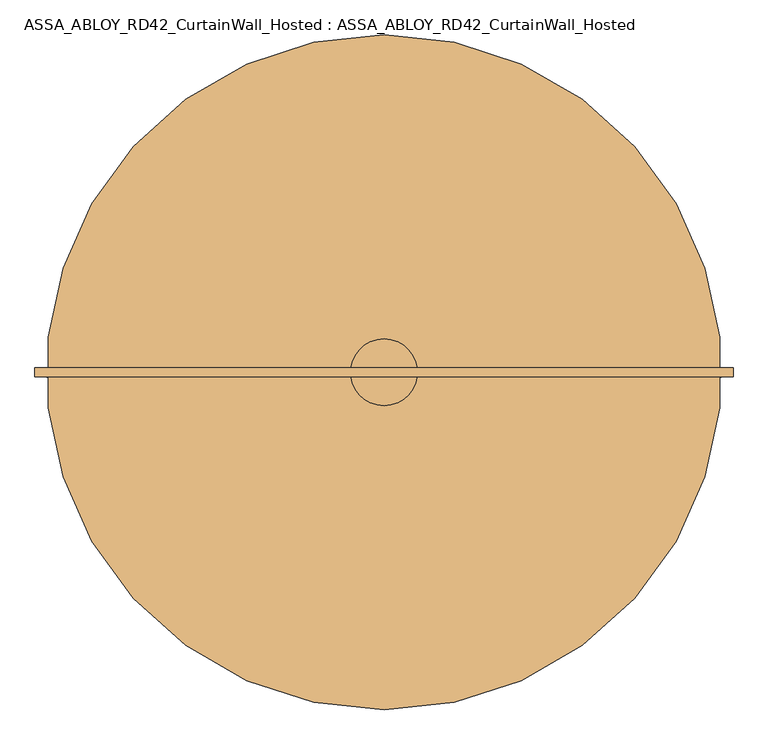
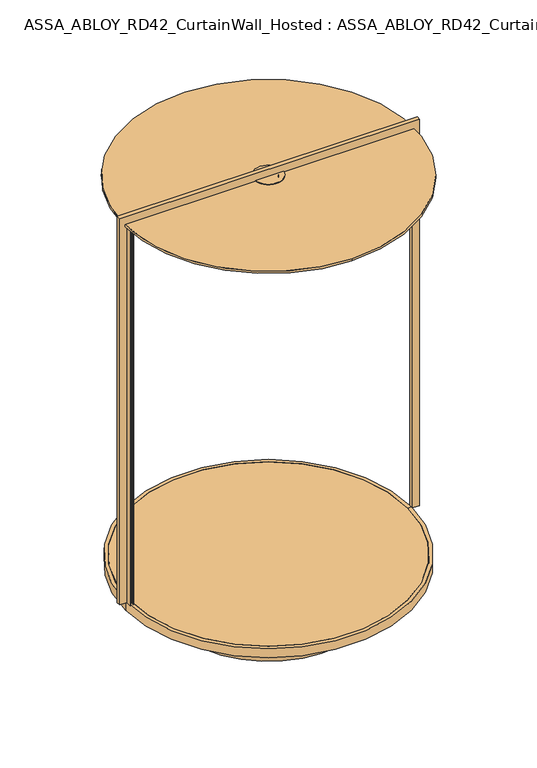
"""IFC4 building model written with IfcOpenShell, lengths in millimetres: door geometry, ASSA_ABLOY_RD42_CurtainWall_Hosted : ASSA_ABLOY_RD42_CurtainWall_Hosted."""

import ifcopenshell
import ifcopenshell.guid

model = None  # the IFC model being written
_history = None  # IfcOwnerHistory: only IFC2X3 demands one
_inside = {}  # id of a spatial element -> (the spatial element, [elements in it])
_under = {}  # id of a project, library or spatial element -> (it, [spatial elements below it])
_declared = {}  # id of a project -> (the project, [libraries it declares])
_typed = {}  # id of a type object -> (the type object, [elements of that type])
_made_of = {}  # id of a material, layer set ... -> (it, [elements and type objects made of it])


def new_model(schema):
    """Start an empty IFC model of exactly this schema.

    Asked for "IFC4X3", IfcOpenShell would pick the latest addendum, in which some entities
    have other attributes; the version numbers below select the first issue.
    IFC2X3 requires an IfcOwnerHistory on every rooted entity: one is made here for all.
    """
    global model, _history
    if schema == "IFC4X3":
        model = ifcopenshell.file(schema_version=(4, 3, 0, 0))
    else:
        model = ifcopenshell.file(schema=schema)
    _inside.clear()
    _under.clear()
    _declared.clear()
    _typed.clear()
    _made_of.clear()
    _history = None
    if model.schema == "IFC2X3":
        org = make("IfcOrganization", Name="unknown")
        user = make(
            "IfcPersonAndOrganization",
            ThePerson=make("IfcPerson", FamilyName="unknown"),
            TheOrganization=org,
        )
        app = make(
            "IfcApplication",
            ApplicationDeveloper=org,
            Version="unknown",
            ApplicationFullName="unknown",
            ApplicationIdentifier="unknown",
        )
        _history = make(
            "IfcOwnerHistory",
            OwningUser=user,
            OwningApplication=app,
            ChangeAction="ADDED",
            CreationDate=0,
        )
    return model


def make(cls, **values):
    """One entity of the class cls with the attributes given. An attribute that is None is left unset."""
    return model.create_entity(
        cls, **{name: value for name, value in values.items() if value is not None}
    )


def rooted(cls, **values):
    """An entity with a GlobalId (a new one), such as an element, a storey or a relation."""
    return make(cls, GlobalId=ifcopenshell.guid.new(), OwnerHistory=_history, **values)


def si_unit(unit_type, name, prefix=None):
    """IfcSIUnit, for example si_unit("LENGTHUNIT", "METRE", prefix="MILLI")."""
    return make("IfcSIUnit", UnitType=unit_type, Prefix=prefix, Name=name)


def assignment(units):
    """IfcUnitAssignment: the units of a project."""
    return None if units is None else make("IfcUnitAssignment", Units=units)


def point(xyz):
    """IfcCartesianPoint."""
    return None if xyz is None else make("IfcCartesianPoint", Coordinates=xyz)


def direction(xyz):
    """IfcDirection."""
    return None if xyz is None else make("IfcDirection", DirectionRatios=xyz)


def frame(location, z_axis=None, x_axis=None):
    """IfcAxis2Placement3D, a coordinate frame: its origin and axes. An axis left out is left unset."""
    return make(
        "IfcAxis2Placement3D",
        Location=point(location),
        Axis=direction(z_axis),
        RefDirection=direction(x_axis),
    )


def frame_2d(location, x_axis=None):
    """IfcAxis2Placement2D, a coordinate frame in the plane: its origin and x axis."""
    return make(
        "IfcAxis2Placement2D", Location=point(location), RefDirection=direction(x_axis)
    )


def origin():
    """The frame at (0, 0, 0) with its axes left unset."""
    return frame((0.0, 0.0, 0.0))


def origin_with_axes():
    """The frame at (0, 0, 0) with the z axis (0, 0, 1) and the x axis (1, 0, 0) written out."""
    return frame((0.0, 0.0, 0.0), z_axis=(0.0, 0.0, 1.0), x_axis=(1.0, 0.0, 0.0))


def origin_2d():
    """The frame at (0, 0) in the plane with its x axis left unset."""
    return frame_2d((0.0, 0.0))


def place(relative_to, where):
    """IfcLocalPlacement: puts the frame where relative to a parent placement (None: the world)."""
    return make(
        "IfcLocalPlacement", PlacementRelTo=relative_to, RelativePlacement=where
    )


def context(
    kind, dimensions, precision=None, world=None, true_north=None, identifier=None
):
    """IfcGeometricRepresentationContext, for example the 3D "Model" context."""
    return make(
        "IfcGeometricRepresentationContext",
        ContextIdentifier=identifier,
        ContextType=kind,
        CoordinateSpaceDimension=dimensions,
        Precision=precision,
        WorldCoordinateSystem=world,
        TrueNorth=true_north,
    )


def project(units=None, contexts=None):
    """IfcProject with its units and contexts."""
    return rooted(
        "IfcProject",
        Name="project",
        RepresentationContexts=contexts,
        UnitsInContext=assignment(units),
    )


def spatial(cls, under=None, at=None, **own):
    """A site, building, storey or space (cls), placed at a placement, below another one or the project."""
    s = rooted(cls, ObjectPlacement=at, **own)
    if under is not None:
        _under.setdefault(under.id(), (under, []))[1].append(s)
    return s


def polyline(points):
    """IfcPolyline through the points."""
    return make("IfcPolyline", Points=[point(p) for p in points])


def circle_curve(where, radius):
    """IfcCircle in the frame where."""
    return make("IfcCircle", Position=where, Radius=radius)


def trimmed(basis, trim1, trim2, sense, master):
    """IfcTrimmedCurve: the piece of a basis curve between two trims."""
    return make(
        "IfcTrimmedCurve",
        BasisCurve=basis,
        Trim1=trim1,
        Trim2=trim2,
        SenseAgreement=sense,
        MasterRepresentation=master,
    )


def segment(curve, same_sense, transition):
    """IfcCompositeCurveSegment."""
    return make(
        "IfcCompositeCurveSegment",
        Transition=transition,
        SameSense=same_sense,
        ParentCurve=curve,
    )


def composite_curve(segments, self_intersect=None):
    """IfcCompositeCurve: segments joined end to end."""
    return make("IfcCompositeCurve", Segments=segments, SelfIntersect=self_intersect)


def outline(outer, holes=None, kind="AREA"):
    """IfcArbitraryClosedProfileDef: a profile drawn as a closed curve; with holes, ...WithVoids."""
    if holes is None:
        return make("IfcArbitraryClosedProfileDef", ProfileType=kind, OuterCurve=outer)
    return make(
        "IfcArbitraryProfileDefWithVoids",
        ProfileType=kind,
        OuterCurve=outer,
        InnerCurves=holes,
    )


def extrude(swept, where, along, depth):
    """IfcExtrudedAreaSolid: the profile swept, set in the frame where, extruded along a direction by depth."""
    return make(
        "IfcExtrudedAreaSolid",
        SweptArea=swept,
        Position=where,
        ExtrudedDirection=direction(along),
        Depth=depth,
    )


def shape(context_of_items, identifier, shape_type, items):
    """IfcShapeRepresentation: the items that make up one representation, for example the "Body"."""
    return make(
        "IfcShapeRepresentation",
        ContextOfItems=context_of_items,
        RepresentationIdentifier=identifier,
        RepresentationType=shape_type,
        Items=items,
    )


def source(mapping_origin, context_of_items, identifier, shape_type, items):
    """IfcRepresentationMap: a shape defined once, which mapped items show again and again."""
    return make(
        "IfcRepresentationMap",
        MappingOrigin=mapping_origin,
        MappedRepresentation=shape(context_of_items, identifier, shape_type, items),
    )


def transform(
    local_origin,
    x_axis=None,
    y_axis=None,
    z_axis=None,
    scale=None,
    scale2=None,
    scale3=None,
    uniform=True,
):
    """IfcCartesianTransformationOperator3D, or its non-uniform kind. x_axis, y_axis, z_axis: its Axis1, 2, 3."""
    if uniform:
        return make(
            "IfcCartesianTransformationOperator3D",
            Axis1=direction(x_axis),
            Axis2=direction(y_axis),
            LocalOrigin=point(local_origin),
            Scale=scale,
            Axis3=direction(z_axis),
        )
    return make(
        "IfcCartesianTransformationOperator3DnonUniform",
        Axis1=direction(x_axis),
        Axis2=direction(y_axis),
        LocalOrigin=point(local_origin),
        Scale=scale,
        Axis3=direction(z_axis),
        Scale2=scale2,
        Scale3=scale3,
    )


def mapped(mapping_source, mapping_target):
    """IfcMappedItem: shows the shape of a source again, moved by a transform."""
    return make(
        "IfcMappedItem", MappingSource=mapping_source, MappingTarget=mapping_target
    )


def made_of(thing, what):
    """Note that an element or type object is made of a material, layer set ...; save() writes the relation."""
    if what is not None:
        _made_of.setdefault(what.id(), (what, []))[1].append(thing)
    return thing


def element(
    cls,
    number,
    at=None,
    inside=None,
    cuts=None,
    type_object=None,
    material=None,
    context=None,
    identifier="Body",
    shape_type=None,
    held_by="IfcProductDefinitionShape",
    body=None,
    shapes=None,
    **own,
):
    """One element of the class cls, such as IfcWall. Its Tag is "e" and its number.

    at: its placement. inside: the storey or other place that contains it. cuts: it is an
    opening in that element (IfcRelVoidsElement). A single representation is given by context,
    identifier, shape_type and body (its items); several are given by shapes. held_by: the class
    of the entity that holds the representations. save() writes the other relations.
    """
    e = rooted(cls, Tag="e%d" % number, ObjectPlacement=at, **own)
    if body is not None:
        shapes = [shape(context, identifier, shape_type, body)]
    if shapes is not None:
        e.Representation = make(held_by, Representations=shapes)
    if inside is not None:
        _inside.setdefault(inside.id(), (inside, []))[1].append(e)
    if cuts is not None:
        rooted(
            "IfcRelVoidsElement", RelatingBuildingElement=cuts, RelatedOpeningElement=e
        )
    if type_object is not None:
        _typed.setdefault(type_object.id(), (type_object, []))[1].append(e)
    return made_of(e, material)


def aggregate(whole, parts):
    """IfcRelAggregates: a whole, such as a stair, and the parts it consists of."""
    return rooted("IfcRelAggregates", RelatingObject=whole, RelatedObjects=parts)


def save(model, path):
    """Write the relations noted so far, then the file.

    IfcRelAggregates (storeys below a building ...), IfcRelContainedInSpatialStructure (elements
    in a storey), IfcRelDefinesByType, IfcRelAssociatesMaterial and IfcRelDeclares: one each for
    every whole, place, type object, material and project.
    """
    for whole, parts in _under.values():
        aggregate(whole, parts)
    for where, things in _inside.values():
        rooted(
            "IfcRelContainedInSpatialStructure",
            RelatedElements=things,
            RelatingStructure=where,
        )
    for kind, things in _typed.values():
        rooted("IfcRelDefinesByType", RelatedObjects=things, RelatingType=kind)
    for what, things in _made_of.values():
        rooted("IfcRelAssociatesMaterial", RelatedObjects=things, RelatingMaterial=what)
    for by, libraries in _declared.values():
        rooted("IfcRelDeclares", RelatingContext=by, RelatedDefinitions=libraries)
    model.write(path)


def plane_surface(at):
    """IfcPlane: the flat surface through the origin of the frame at, square to its z axis."""
    return make("IfcPlane", Position=at)


def cylinder_surface(at, radius):
    """IfcCylindricalSurface: all points at the distance radius from the z axis of the frame at."""
    return make("IfcCylindricalSurface", Position=at, Radius=radius)


def revolved_surface(curve, axis_point, axis_direction):
    """IfcSurfaceOfRevolution: the curve turned about the line through axis_point along axis_direction."""
    return make(
        "IfcSurfaceOfRevolution",
        SweptCurve=make("IfcArbitraryOpenProfileDef", ProfileType="CURVE", Curve=curve),
        AxisPosition=make("IfcAxis1Placement", Location=point(axis_point), Axis=direction(axis_direction)),
    )


def advanced_brep(points, edges, surfaces, faces):
    """IfcAdvancedBrep: a solid bounded by faces that lie on surfaces and meet in shared edges.

    An edge is (start, end): straight between two places in points (the first is 0);
    or (start, end, curve); or (start, end, curve, False) where it runs against its curve.
    A face is (place in surfaces, loops), or (place, loops, False) where it looks against
    its surface's normal. A loop lists edges by number (the first is 1), with a minus sign
    where the edge is run from its end to its start. The first loop is the outer one.
    """
    corners = [point(p) for p in points]
    vertices = [make("IfcVertexPoint", VertexGeometry=c) for c in corners]
    made = []
    for start, end, *more in edges:
        made.append(
            make(
                "IfcEdgeCurve",
                EdgeStart=vertices[start],
                EdgeEnd=vertices[end],
                EdgeGeometry=more[0] if more else make("IfcPolyline", Points=[corners[start], corners[end]]),
                SameSense=more[1] if len(more) > 1 else True,
            )
        )
    hull = []
    for where, loops, *sense in faces:
        bounds = []
        for j, loop in enumerate(loops):
            ring = [make("IfcOrientedEdge", EdgeElement=made[abs(k) - 1], Orientation=k > 0) for k in loop]
            bounds.append(
                make(
                    "IfcFaceOuterBound" if j == 0 else "IfcFaceBound",
                    Bound=make("IfcEdgeLoop", EdgeList=ring),
                    Orientation=True,
                )
            )
        hull.append(make("IfcAdvancedFace", Bounds=bounds, FaceSurface=surfaces[where], SameSense=sense[0] if sense else True))
    return make("IfcAdvancedBrep", Outer=make("IfcClosedShell", CfsFaces=hull))


def assa_abloy_rd42_curtainwall_hosted_assa_abloy_rd42_91338318(model_context):
    return source(origin(), model_context, "Body", "SolidModel", [
        extrude(outline(polyline([(-997.0, 0.0), (-971.0, 0.0), (-971.0, -53.0), (-974.0, -53.0), (-974.0, -33.0), (-994.0, -33.0), (-994.0, -53.0), (-997.0, -53.0), (-997.0, 0.0)])), origin_with_axes(), (0.0, 0.0, 1.0), 2773.0),
        extrude(outline(composite_curve([segment(trimmed(circle_curve(origin_2d(), 971.0), [point((-971.0, 0.0))], [point((971.0, 0.0))], False, "CARTESIAN"), True, "CONTINUOUS"), segment(trimmed(circle_curve(origin_2d(), 971.0), [point((971.0, 0.0))], [point((-971.0, 0.0))], False, "CARTESIAN"), True, "CONTINUOUS")], self_intersect=False)), frame((0.0, 0.0, -22.0), z_axis=(0.0, 0.0, 1.0), x_axis=(1.0, 0.0, 0.0)), (0.0, 0.0, 1.0), 22.0),
        extrude(outline(polyline([(2794.0, 1012.0), (2778.0, 1012.0), (2778.0, 997.0), (0.0, 997.0), (0.0, 1047.0), (2850.0, 1047.0), (2850.0, -1047.0), (0.0, -1047.0), (0.0, -997.0), (2778.0, -997.0), (2778.0, -1012.0), (2794.0, -1012.0), (2794.0, 1012.0)])), frame((0.0, -14.0, 0.0), z_axis=(0.0, 1.0, 0.0), x_axis=(0.0, 0.0, 1.0)), (0.0, 0.0, 1.0), 28.0),
        advanced_brep(
        [(997.0, 0.0, -65.0), (-997.0, 0.0, -65.0), (-997.0, 0.0, 0.0), (997.0, 0.0, 0.0), (0.0, 0.0, -65.0), (971.0, 0.0, -23.0), (-971.0, 0.0, -23.0), (0.0, 0.0, -23.0), (971.0, 0.0, 0.0), (-971.0, 0.0, 0.0)],
        [
            (0, 1, circle_curve(frame((0.0, 0.0, -65.0), z_axis=(0.0, 0.0, 1.0), x_axis=(-1.0, 0.0, 0.0)), 997.0)),
            (1, 2),
            (2, 3, circle_curve(frame((0.0, 0.0, 0.0), z_axis=(0.0, 0.0, -1.0), x_axis=(-1.0, 0.0, 0.0)), 997.0)),
            (3, 0),
            (1, 0, circle_curve(frame((0.0, 0.0, -65.0), z_axis=(0.0, 0.0, 1.0), x_axis=(-1.0, 0.0, 0.0)), 997.0)),
            (3, 2, circle_curve(frame((0.0, 0.0, 0.0), z_axis=(0.0, 0.0, -1.0), x_axis=(-1.0, 0.0, 0.0)), 997.0)),
            (0, 4),
            (4, 1),
            (5, 6, circle_curve(frame((0.0, 0.0, -23.0), z_axis=(0.0, 0.0, 1.0), x_axis=(-1.0, 0.0, 0.0)), 971.0)),
            (6, 7),
            (7, 5),
            (6, 5, circle_curve(frame((0.0, 0.0, -23.0), z_axis=(0.0, 0.0, 1.0), x_axis=(-1.0, 0.0, 0.0)), 971.0)),
            (5, 8),
            (8, 9, circle_curve(frame((0.0, 0.0, 0.0), z_axis=(0.0, 0.0, 1.0), x_axis=(-1.0, 0.0, 0.0)), 971.0)),
            (9, 6),
            (9, 8, circle_curve(frame((0.0, 0.0, 0.0), z_axis=(0.0, 0.0, 1.0), x_axis=(-1.0, 0.0, 0.0)), 971.0)),
            (2, 9),
            (8, 3),
        ],
        [
            cylinder_surface(frame((0.0, 0.0, -20.0), z_axis=(0.0, 0.0, -1.0), x_axis=(-1.0, 0.0, 0.0)), 997.0),
            plane_surface(frame((0.0, 0.0, -65.0), z_axis=(0.0, 0.0, -1.0), x_axis=(-1.0, 0.0, 0.0))),
            plane_surface(frame((0.0, 0.0, -23.0), z_axis=(0.0, 0.0, 1.0), x_axis=(-1.0, 0.0, 0.0))),
            revolved_surface(polyline([(-971.0, 0.0, -23.0), (-971.0, 0.0, 0.0)]), (0.0, 0.0, -20.0), (0.0, 0.0, -1.0)),
            plane_surface(frame((0.0, 0.0, 0.0), z_axis=(0.0, 0.0, 1.0), x_axis=(-1.0, 0.0, 0.0))),
        ],
        [
            (0, [[1, 2, 3, 4]]),
            (0, [[-2, 5, -4, 6]]),
            (1, [[-1, 7, 8]]),
            (1, [[-5, -8, -7]]),
            (2, [[9, 10, 11]]),
            (2, [[-10, 12, -11]]),
            (3, [[-9, 13, 14, 15]]),
            (3, [[-12, -15, 16, -13]]),
            (4, [[-3, 17, -14, 18]]),
            (4, [[-6, -18, -16, -17]]),
        ],
    ),
        advanced_brep(
        [(0.0, 1012.0, 2794.0), (0.0, -1012.0, 2794.0), (-60.0, 0.0, 2794.0), (60.0, 0.0, 2794.0), (0.0, 1012.0, 2778.0), (0.0, -1012.0, 2778.0), (60.0, 0.0, 2778.0), (-60.0, 0.0, 2778.0)],
        [
            (0, 1, circle_curve(frame((0.0, 0.0, 2794.0), z_axis=(0.0, 0.0, 1.0), x_axis=(0.0, -1.0, 0.0)), 1012.0)),
            (1, 0, circle_curve(frame((0.0, 0.0, 2794.0), z_axis=(0.0, 0.0, 1.0), x_axis=(0.0, -1.0, 0.0)), 1012.0)),
            (2, 3, circle_curve(frame((0.0, 0.0, 2794.0), z_axis=(0.0, 0.0, -1.0), x_axis=(-1.0, 0.0, 0.0)), 60.0)),
            (3, 2, circle_curve(frame((0.0, 0.0, 2794.0), z_axis=(0.0, 0.0, -1.0), x_axis=(-1.0, 0.0, 0.0)), 60.0)),
            (4, 5, circle_curve(frame((0.0, 0.0, 2778.0), z_axis=(0.0, 0.0, -1.0), x_axis=(0.0, -1.0, 0.0)), 1012.0)),
            (5, 4, circle_curve(frame((0.0, 0.0, 2778.0), z_axis=(0.0, 0.0, -1.0), x_axis=(0.0, -1.0, 0.0)), 1012.0)),
            (6, 7, circle_curve(frame((0.0, 0.0, 2778.0), z_axis=(0.0, 0.0, 1.0), x_axis=(-1.0, 0.0, 0.0)), 60.0)),
            (7, 6, circle_curve(frame((0.0, 0.0, 2778.0), z_axis=(0.0, 0.0, 1.0), x_axis=(-1.0, 0.0, 0.0)), 60.0)),
            (0, 4),
            (5, 1),
            (6, 3),
            (2, 7),
        ],
        [
            plane_surface(frame((0.0, -1012.0, 2794.0), z_axis=(0.0, 0.0, 1.0), x_axis=(1.0, 0.0, 0.0))),
            plane_surface(frame((0.0, -1012.0, 2778.0), z_axis=(0.0, 0.0, -1.0), x_axis=(-1.0, 0.0, 0.0))),
            cylinder_surface(frame((0.0, 0.0, 2794.0), z_axis=(0.0, 0.0, -1.0), x_axis=(0.0, -1.0, 0.0)), 1012.0),
            revolved_surface(polyline([(-60.0, 0.0, 2794.0), (-60.0, 0.0, 2778.0)]), (0.0, 0.0, 2723.0), (0.0, 0.0, 1.0)),
        ],
        [
            (0, [[1, 2], [3, 4]]),
            (1, [[5, 6], [7, 8]]),
            (2, [[-1, 9, -6, 10]]),
            (2, [[-2, -10, -5, -9]]),
            (3, [[11, -3, 12, -7]]),
            (3, [[-11, -8, -12, -4]]),
        ],
    ),
        extrude(outline(composite_curve([segment(trimmed(circle_curve(origin_2d(), 645.0), [point((-645.0, 0.0))], [point((645.0, 0.0))], False, "CARTESIAN"), True, "CONTINUOUS"), segment(trimmed(circle_curve(origin_2d(), 645.0), [point((645.0, 0.0))], [point((-645.0, 0.0))], False, "CARTESIAN"), True, "CONTINUOUS")], self_intersect=False)), frame((0.0, 0.0, -340.0), z_axis=(0.0, 0.0, 1.0), x_axis=(1.0, 0.0, 0.0)), (0.0, 0.0, 1.0), 275.0),
        advanced_brep(
        [(0.0, -90.0, 2778.0), (0.0, 90.0, 2778.0), (0.0, 90.0, 2772.0), (0.0, -90.0, 2772.0), (0.0, -60.0, 2794.0), (0.0, 60.0, 2794.0), (0.0, 60.0, 2778.0), (0.0, -60.0, 2778.0), (0.0, -100.0, 2800.0), (0.0, 100.0, 2800.0), (0.0, 100.0, 2794.0), (0.0, -100.0, 2794.0), (0.0, 30.0, 2772.0), (0.0, -30.0, 2772.0), (0.0, 30.0, 2778.0), (0.0, -30.0, 2778.0)],
        [
            (0, 1, circle_curve(frame((0.0, 0.0, 2778.0), z_axis=(0.0, 0.0, -1.0), x_axis=(0.0, 1.0, 0.0)), 90.0)),
            (1, 2),
            (2, 3, circle_curve(frame((0.0, 0.0, 2772.0), z_axis=(0.0, 0.0, 1.0), x_axis=(0.0, 1.0, 0.0)), 90.0)),
            (3, 0),
            (4, 5, circle_curve(frame((0.0, 0.0, 2794.0), z_axis=(0.0, 0.0, -1.0), x_axis=(0.0, 1.0, 0.0)), 60.0)),
            (5, 6),
            (6, 7, circle_curve(frame((0.0, 0.0, 2778.0), z_axis=(0.0, 0.0, 1.0), x_axis=(0.0, 1.0, 0.0)), 60.0)),
            (7, 4),
            (8, 9, circle_curve(frame((0.0, 0.0, 2800.0), z_axis=(0.0, 0.0, -1.0), x_axis=(0.0, 1.0, 0.0)), 100.0)),
            (9, 10),
            (10, 11, circle_curve(frame((0.0, 0.0, 2794.0), z_axis=(0.0, 0.0, 1.0), x_axis=(0.0, 1.0, 0.0)), 100.0)),
            (11, 8),
            (1, 0, circle_curve(frame((0.0, 0.0, 2778.0), z_axis=(0.0, 0.0, -1.0), x_axis=(0.0, -1.0, 0.0)), 90.0)),
            (3, 2, circle_curve(frame((0.0, 0.0, 2772.0), z_axis=(0.0, 0.0, 1.0), x_axis=(0.0, -1.0, 0.0)), 90.0)),
            (6, 7, circle_curve(frame((0.0, 0.0, 2778.0), z_axis=(0.0, 0.0, -1.0), x_axis=(0.0, -1.0, 0.0)), 60.0)),
            (5, 4, circle_curve(frame((0.0, 0.0, 2794.0), z_axis=(0.0, 0.0, -1.0), x_axis=(0.0, -1.0, 0.0)), 60.0)),
            (10, 11, circle_curve(frame((0.0, 0.0, 2794.0), z_axis=(0.0, 0.0, -1.0), x_axis=(0.0, -1.0, 0.0)), 100.0)),
            (9, 8, circle_curve(frame((0.0, 0.0, 2800.0), z_axis=(0.0, 0.0, -1.0), x_axis=(0.0, -1.0, 0.0)), 100.0)),
            (12, 13, circle_curve(frame((0.0, 0.0, 2772.0), z_axis=(0.0, 0.0, 1.0), x_axis=(0.0, 1.0, 0.0)), 30.0)),
            (13, 12, circle_curve(frame((0.0, 0.0, 2772.0), z_axis=(0.0, 0.0, 1.0), x_axis=(0.0, -1.0, 0.0)), 30.0)),
            (12, 14),
            (14, 15, circle_curve(frame((0.0, 0.0, 2778.0), z_axis=(0.0, 0.0, 1.0), x_axis=(0.0, 1.0, 0.0)), 30.0)),
            (15, 13),
            (15, 14, circle_curve(frame((0.0, 0.0, 2778.0), z_axis=(0.0, 0.0, 1.0), x_axis=(0.0, -1.0, 0.0)), 30.0)),
        ],
        [
            cylinder_surface(frame((0.0, 0.0, 2778.0), z_axis=(0.0, 0.0, 1.0), x_axis=(0.0, 1.0, 0.0)), 90.0),
            cylinder_surface(frame((0.0, 0.0, 2778.0), z_axis=(0.0, 0.0, 1.0), x_axis=(0.0, 1.0, 0.0)), 60.0),
            cylinder_surface(frame((0.0, 0.0, 2778.0), z_axis=(0.0, 0.0, 1.0), x_axis=(0.0, 1.0, 0.0)), 100.0),
            cylinder_surface(frame((0.0, 0.0, 2778.0), z_axis=(0.0, 0.0, 1.0), x_axis=(0.0, -1.0, 0.0)), 90.0),
            plane_surface(frame((0.0, 0.0, 2778.0), z_axis=(0.0, 0.0, 1.0), x_axis=(0.0, -1.0, 0.0))),
            cylinder_surface(frame((0.0, 0.0, 2778.0), z_axis=(0.0, 0.0, 1.0), x_axis=(0.0, -1.0, 0.0)), 60.0),
            plane_surface(frame((0.0, 0.0, 2794.0), z_axis=(0.0, 0.0, -1.0), x_axis=(0.0, -1.0, 0.0))),
            cylinder_surface(frame((0.0, 0.0, 2778.0), z_axis=(0.0, 0.0, 1.0), x_axis=(0.0, -1.0, 0.0)), 100.0),
            plane_surface(frame((0.0, 0.0, 2800.0), z_axis=(0.0, 0.0, 1.0), x_axis=(0.0, -1.0, 0.0))),
            plane_surface(frame((0.0, 0.0, 2772.0), z_axis=(0.0, 0.0, -1.0), x_axis=(0.0, -1.0, 0.0))),
            revolved_surface(polyline([(0.0, 30.0, 2778.0), (0.0, 30.0, 2772.0)]), (0.0, 0.0, 2778.0), (0.0, 0.0, 1.0)),
            revolved_surface(polyline([(0.0, -30.0, 2778.0), (0.0, -30.0, 2772.0)]), (0.0, 0.0, 2778.0), (0.0, 0.0, 1.0)),
            plane_surface(frame((0.0, -30.0, 2778.0), z_axis=(0.0, 0.0, -1.0), x_axis=(-1.0, 0.0, 0.0))),
        ],
        [
            (0, [[1, 2, 3, 4]]),
            (1, [[5, 6, 7, 8]]),
            (2, [[9, 10, 11, 12]]),
            (3, [[-2, 13, -4, 14]]),
            (4, [[-1, -13], [-7, 15]]),
            (5, [[-6, 16, -8, -15]]),
            (6, [[-11, 17], [-5, -16]]),
            (7, [[-10, 18, -12, -17]]),
            (8, [[-9, -18]]),
            (9, [[-3, -14], [19, 20]]),
            (10, [[-19, 21, 22, 23]]),
            (11, [[-20, -23, 24, -21]]),
            (12, [[-22, -24]]),
        ],
    ),
    ])


if __name__ == "__main__":
    model = new_model("IFC4")
    model_context = context("Model", 3, world=origin())
    ifc_project = project(units=[si_unit("LENGTHUNIT", "METRE", prefix="MILLI")], contexts=[model_context])
    site = spatial("IfcSite", under=ifc_project)
    building = spatial("IfcBuilding", under=site)
    placement = place(None, origin())
    assa_abloy_rd42_curtainwall_hosted_assa_abloy_rd42_shape = assa_abloy_rd42_curtainwall_hosted_assa_abloy_rd42_91338318(model_context)
    element("IfcDoor", 1, ObjectType="ASSA_ABLOY_RD42_CurtainWall_Hosted : ASSA_ABLOY_RD42_CurtainWall_Hosted", at=placement, inside=building, context=model_context, shape_type="MappedRepresentation", body=[
        mapped(assa_abloy_rd42_curtainwall_hosted_assa_abloy_rd42_shape, transform((0.0, 0.0, 0.0), x_axis=(1.0, 0.0, 0.0), y_axis=(0.0, 1.0, 0.0), z_axis=(0.0, 0.0, 1.0))),
    ])
    save(model, "model.ifc")
